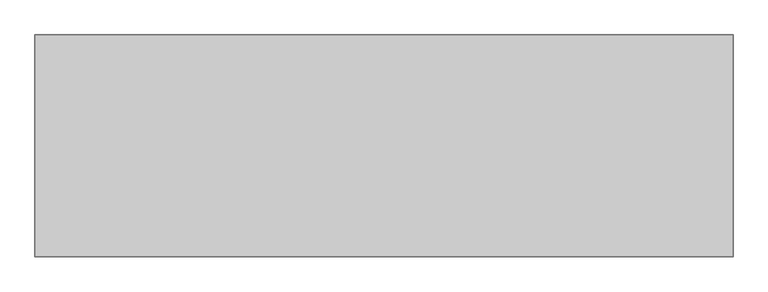
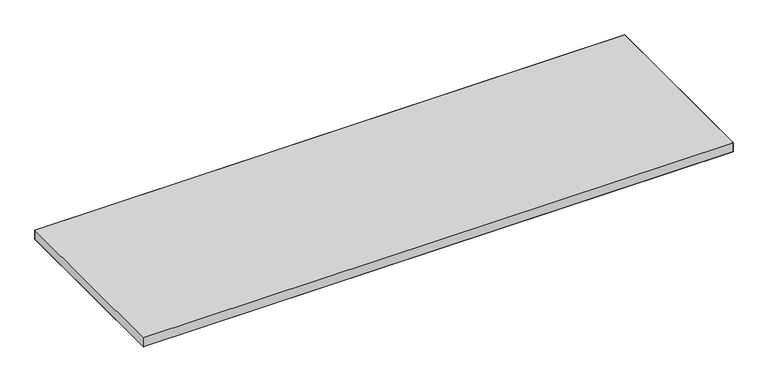
"""IFC4 building model written with IfcOpenShell, lengths in millimetres: furniture geometry."""

from ifc_helpers import new_model, si_unit, origin, place, context, project, spatial, triangles, source, transform, mapped, element, save


def furniture_709f7376(model_context):
    return source(origin(), model_context, "Body", "Tessellation", [
        triangles([(1827.2759651, -1.524, 725.4240349), (1.524, -1.524, 725.4240349), (1.524, -582.6759893, 725.4240349), (1827.2759651, -582.6759893, 725.4240349), (1827.2759651, -1.524, 695.8330359), (1827.2759651, -582.6759893, 695.8330359), (1.524, -582.6759893, 695.8330359), (1.524, -1.524, 695.8330359)], [[1, 2, 3], [1, 3, 4], [5, 6, 7], [5, 7, 8]], closed=False),
        triangles([(1.524, -1.524, 725.4240349), (1827.2759651, -1.524, 725.4240349), (1827.2759651, -1.524, 695.8330359), (1.524, -1.524, 695.8330359), (1.524, -582.6759893, 695.8330359), (1.524, -582.6759893, 725.4240349), (1827.2759651, -582.6759893, 725.4240349), (1827.2759651, -582.6759893, 695.8330359)], [[1, 2, 3], [1, 3, 4], [5, 6, 1], [5, 1, 4], [2, 7, 8], [2, 8, 3], [5, 8, 7], [5, 7, 6]], closed=False),
    ])


if __name__ == "__main__":
    model = new_model("IFC4")
    model_context = context("Model", 3, world=origin())
    ifc_project = project(units=[si_unit("LENGTHUNIT", "METRE", prefix="MILLI")], contexts=[model_context])
    site = spatial("IfcSite", under=ifc_project)
    building = spatial("IfcBuilding", under=site)
    placement = place(None, origin())
    furniture_shape = furniture_709f7376(model_context)
    element("IfcFurniture", 1, at=placement, inside=building, context=model_context, shape_type="MappedRepresentation", body=[
        mapped(furniture_shape, transform((0.0, 0.0, 0.0), x_axis=(1.0, 0.0, 0.0), y_axis=(0.0, 1.0, 0.0), z_axis=(0.0, 0.0, 1.0))),
    ])
    save(model, "model.ifc")
